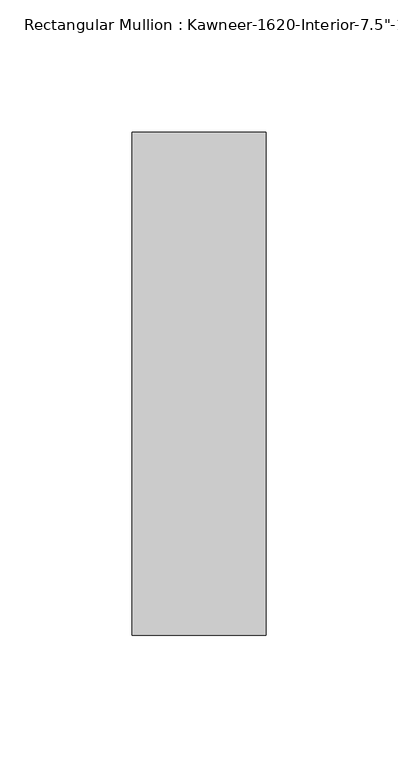
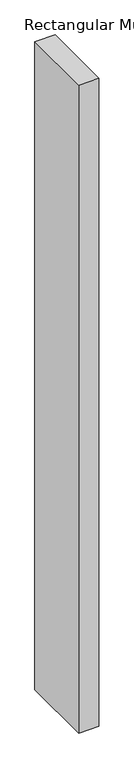
"""IFC4 building model written with IfcOpenShell, lengths in millimetres: member geometry."""

from ifc_helpers import new_model, si_unit, frame, origin, place, context, project, spatial, polyline, outline, extrude, source, transform, mapped, element, save


def member_f048924f(model_context):
    return source(origin(), model_context, "Body", "SweptSolid", [
        extrude(outline(polyline([(25.4, -152.4), (-25.4, -152.4), (-25.4, 38.1), (25.4, 38.1), (25.4, -152.4)])), frame((0.0, 0.0, -1720.85), z_axis=(0.0, 0.0, 1.0), x_axis=(1.0, 0.0, 0.0)), (0.0, 0.0, 1.0), 1720.85),
    ])


if __name__ == "__main__":
    model = new_model("IFC4")
    model_context = context("Model", 3, world=origin())
    ifc_project = project(units=[si_unit("LENGTHUNIT", "METRE", prefix="MILLI")], contexts=[model_context])
    site = spatial("IfcSite", under=ifc_project)
    building = spatial("IfcBuilding", under=site)
    placement = place(None, origin())
    member_shape = member_f048924f(model_context)
    element("IfcMember", 1, ObjectType="Rectangular Mullion : Kawneer-1620-Interior-7.5\"-1\"Infill", at=placement, inside=building, context=model_context, shape_type="MappedRepresentation", body=[
        mapped(member_shape, transform((0.0, 0.0, 0.0), x_axis=(1.0, 0.0, 0.0), y_axis=(0.0, 1.0, 0.0), z_axis=(0.0, 0.0, 1.0))),
    ])
    save(model, "model.ifc")
